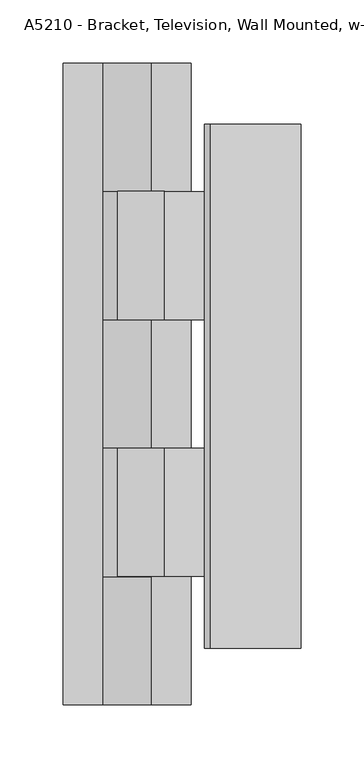
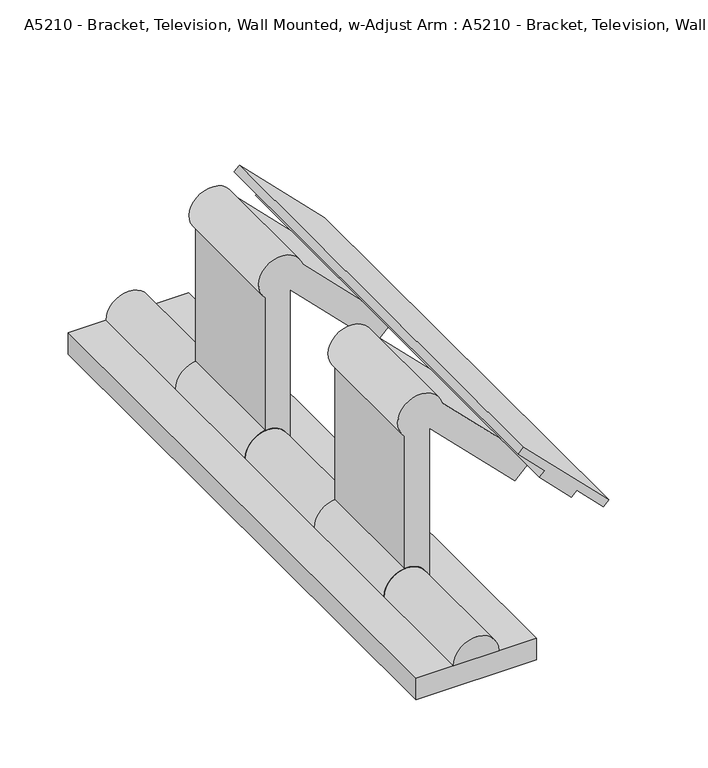
"""IFC4 building model written with IfcOpenShell, lengths in millimetres: proxy geometry, A5210 - Bracket, Television, Wall Mounted, w-Adjust Arm : A5210 - Bracket, Television, Wall Mounted, w-Adjust Arm."""

import ifcopenshell
import ifcopenshell.guid

model = None  # the IFC model being written
_history = None  # IfcOwnerHistory: only IFC2X3 demands one
_inside = {}  # id of a spatial element -> (the spatial element, [elements in it])
_under = {}  # id of a project, library or spatial element -> (it, [spatial elements below it])
_declared = {}  # id of a project -> (the project, [libraries it declares])
_typed = {}  # id of a type object -> (the type object, [elements of that type])
_made_of = {}  # id of a material, layer set ... -> (it, [elements and type objects made of it])


def new_model(schema):
    """Start an empty IFC model of exactly this schema.

    Asked for "IFC4X3", IfcOpenShell would pick the latest addendum, in which some entities
    have other attributes; the version numbers below select the first issue.
    IFC2X3 requires an IfcOwnerHistory on every rooted entity: one is made here for all.
    """
    global model, _history
    if schema == "IFC4X3":
        model = ifcopenshell.file(schema_version=(4, 3, 0, 0))
    else:
        model = ifcopenshell.file(schema=schema)
    _inside.clear()
    _under.clear()
    _declared.clear()
    _typed.clear()
    _made_of.clear()
    _history = None
    if model.schema == "IFC2X3":
        org = make("IfcOrganization", Name="unknown")
        user = make(
            "IfcPersonAndOrganization",
            ThePerson=make("IfcPerson", FamilyName="unknown"),
            TheOrganization=org,
        )
        app = make(
            "IfcApplication",
            ApplicationDeveloper=org,
            Version="unknown",
            ApplicationFullName="unknown",
            ApplicationIdentifier="unknown",
        )
        _history = make(
            "IfcOwnerHistory",
            OwningUser=user,
            OwningApplication=app,
            ChangeAction="ADDED",
            CreationDate=0,
        )
    return model


def make(cls, **values):
    """One entity of the class cls with the attributes given. An attribute that is None is left unset."""
    return model.create_entity(
        cls, **{name: value for name, value in values.items() if value is not None}
    )


def rooted(cls, **values):
    """An entity with a GlobalId (a new one), such as an element, a storey or a relation."""
    return make(cls, GlobalId=ifcopenshell.guid.new(), OwnerHistory=_history, **values)


def si_unit(unit_type, name, prefix=None):
    """IfcSIUnit, for example si_unit("LENGTHUNIT", "METRE", prefix="MILLI")."""
    return make("IfcSIUnit", UnitType=unit_type, Prefix=prefix, Name=name)


def assignment(units):
    """IfcUnitAssignment: the units of a project."""
    return None if units is None else make("IfcUnitAssignment", Units=units)


def point(xyz):
    """IfcCartesianPoint."""
    return None if xyz is None else make("IfcCartesianPoint", Coordinates=xyz)


def direction(xyz):
    """IfcDirection."""
    return None if xyz is None else make("IfcDirection", DirectionRatios=xyz)


def frame(location, z_axis=None, x_axis=None):
    """IfcAxis2Placement3D, a coordinate frame: its origin and axes. An axis left out is left unset."""
    return make(
        "IfcAxis2Placement3D",
        Location=point(location),
        Axis=direction(z_axis),
        RefDirection=direction(x_axis),
    )


def frame_2d(location, x_axis=None):
    """IfcAxis2Placement2D, a coordinate frame in the plane: its origin and x axis."""
    return make(
        "IfcAxis2Placement2D", Location=point(location), RefDirection=direction(x_axis)
    )


def origin():
    """The frame at (0, 0, 0) with its axes left unset."""
    return frame((0.0, 0.0, 0.0))


def origin_with_axes():
    """The frame at (0, 0, 0) with the z axis (0, 0, 1) and the x axis (1, 0, 0) written out."""
    return frame((0.0, 0.0, 0.0), z_axis=(0.0, 0.0, 1.0), x_axis=(1.0, 0.0, 0.0))


def place(relative_to, where):
    """IfcLocalPlacement: puts the frame where relative to a parent placement (None: the world)."""
    return make(
        "IfcLocalPlacement", PlacementRelTo=relative_to, RelativePlacement=where
    )


def context(
    kind, dimensions, precision=None, world=None, true_north=None, identifier=None
):
    """IfcGeometricRepresentationContext, for example the 3D "Model" context."""
    return make(
        "IfcGeometricRepresentationContext",
        ContextIdentifier=identifier,
        ContextType=kind,
        CoordinateSpaceDimension=dimensions,
        Precision=precision,
        WorldCoordinateSystem=world,
        TrueNorth=true_north,
    )


def project(units=None, contexts=None):
    """IfcProject with its units and contexts."""
    return rooted(
        "IfcProject",
        Name="project",
        RepresentationContexts=contexts,
        UnitsInContext=assignment(units),
    )


def spatial(cls, under=None, at=None, **own):
    """A site, building, storey or space (cls), placed at a placement, below another one or the project."""
    s = rooted(cls, ObjectPlacement=at, **own)
    if under is not None:
        _under.setdefault(under.id(), (under, []))[1].append(s)
    return s


def polyline(points):
    """IfcPolyline through the points."""
    return make("IfcPolyline", Points=[point(p) for p in points])


def circle_curve(where, radius):
    """IfcCircle in the frame where."""
    return make("IfcCircle", Position=where, Radius=radius)


def trimmed(basis, trim1, trim2, sense, master):
    """IfcTrimmedCurve: the piece of a basis curve between two trims."""
    return make(
        "IfcTrimmedCurve",
        BasisCurve=basis,
        Trim1=trim1,
        Trim2=trim2,
        SenseAgreement=sense,
        MasterRepresentation=master,
    )


def segment(curve, same_sense, transition):
    """IfcCompositeCurveSegment."""
    return make(
        "IfcCompositeCurveSegment",
        Transition=transition,
        SameSense=same_sense,
        ParentCurve=curve,
    )


def composite_curve(segments, self_intersect=None):
    """IfcCompositeCurve: segments joined end to end."""
    return make("IfcCompositeCurve", Segments=segments, SelfIntersect=self_intersect)


def outline(outer, holes=None, kind="AREA"):
    """IfcArbitraryClosedProfileDef: a profile drawn as a closed curve; with holes, ...WithVoids."""
    if holes is None:
        return make("IfcArbitraryClosedProfileDef", ProfileType=kind, OuterCurve=outer)
    return make(
        "IfcArbitraryProfileDefWithVoids",
        ProfileType=kind,
        OuterCurve=outer,
        InnerCurves=holes,
    )


def extrude(swept, where, along, depth):
    """IfcExtrudedAreaSolid: the profile swept, set in the frame where, extruded along a direction by depth."""
    return make(
        "IfcExtrudedAreaSolid",
        SweptArea=swept,
        Position=where,
        ExtrudedDirection=direction(along),
        Depth=depth,
    )


def shape(context_of_items, identifier, shape_type, items):
    """IfcShapeRepresentation: the items that make up one representation, for example the "Body"."""
    return make(
        "IfcShapeRepresentation",
        ContextOfItems=context_of_items,
        RepresentationIdentifier=identifier,
        RepresentationType=shape_type,
        Items=items,
    )


def source(mapping_origin, context_of_items, identifier, shape_type, items):
    """IfcRepresentationMap: a shape defined once, which mapped items show again and again."""
    return make(
        "IfcRepresentationMap",
        MappingOrigin=mapping_origin,
        MappedRepresentation=shape(context_of_items, identifier, shape_type, items),
    )


def transform(
    local_origin,
    x_axis=None,
    y_axis=None,
    z_axis=None,
    scale=None,
    scale2=None,
    scale3=None,
    uniform=True,
):
    """IfcCartesianTransformationOperator3D, or its non-uniform kind. x_axis, y_axis, z_axis: its Axis1, 2, 3."""
    if uniform:
        return make(
            "IfcCartesianTransformationOperator3D",
            Axis1=direction(x_axis),
            Axis2=direction(y_axis),
            LocalOrigin=point(local_origin),
            Scale=scale,
            Axis3=direction(z_axis),
        )
    return make(
        "IfcCartesianTransformationOperator3DnonUniform",
        Axis1=direction(x_axis),
        Axis2=direction(y_axis),
        LocalOrigin=point(local_origin),
        Scale=scale,
        Axis3=direction(z_axis),
        Scale2=scale2,
        Scale3=scale3,
    )


def mapped(mapping_source, mapping_target):
    """IfcMappedItem: shows the shape of a source again, moved by a transform."""
    return make(
        "IfcMappedItem", MappingSource=mapping_source, MappingTarget=mapping_target
    )


def made_of(thing, what):
    """Note that an element or type object is made of a material, layer set ...; save() writes the relation."""
    if what is not None:
        _made_of.setdefault(what.id(), (what, []))[1].append(thing)
    return thing


def element(
    cls,
    number,
    at=None,
    inside=None,
    cuts=None,
    type_object=None,
    material=None,
    context=None,
    identifier="Body",
    shape_type=None,
    held_by="IfcProductDefinitionShape",
    body=None,
    shapes=None,
    **own,
):
    """One element of the class cls, such as IfcWall. Its Tag is "e" and its number.

    at: its placement. inside: the storey or other place that contains it. cuts: it is an
    opening in that element (IfcRelVoidsElement). A single representation is given by context,
    identifier, shape_type and body (its items); several are given by shapes. held_by: the class
    of the entity that holds the representations. save() writes the other relations.
    """
    e = rooted(cls, Tag="e%d" % number, ObjectPlacement=at, **own)
    if body is not None:
        shapes = [shape(context, identifier, shape_type, body)]
    if shapes is not None:
        e.Representation = make(held_by, Representations=shapes)
    if inside is not None:
        _inside.setdefault(inside.id(), (inside, []))[1].append(e)
    if cuts is not None:
        rooted(
            "IfcRelVoidsElement", RelatingBuildingElement=cuts, RelatedOpeningElement=e
        )
    if type_object is not None:
        _typed.setdefault(type_object.id(), (type_object, []))[1].append(e)
    return made_of(e, material)


def aggregate(whole, parts):
    """IfcRelAggregates: a whole, such as a stair, and the parts it consists of."""
    return rooted("IfcRelAggregates", RelatingObject=whole, RelatedObjects=parts)


def save(model, path):
    """Write the relations noted so far, then the file.

    IfcRelAggregates (storeys below a building ...), IfcRelContainedInSpatialStructure (elements
    in a storey), IfcRelDefinesByType, IfcRelAssociatesMaterial and IfcRelDeclares: one each for
    every whole, place, type object, material and project.
    """
    for whole, parts in _under.values():
        aggregate(whole, parts)
    for where, things in _inside.values():
        rooted(
            "IfcRelContainedInSpatialStructure",
            RelatedElements=things,
            RelatingStructure=where,
        )
    for kind, things in _typed.values():
        rooted("IfcRelDefinesByType", RelatedObjects=things, RelatingType=kind)
    for what, things in _made_of.values():
        rooted("IfcRelAssociatesMaterial", RelatedObjects=things, RelatingMaterial=what)
    for by, libraries in _declared.values():
        rooted("IfcRelDeclares", RelatingContext=by, RelatedDefinitions=libraries)
    model.write(path)


def a5210_bracket_television_wall_mounted_w_adjust_arm_a5210_bc629ad1(model_context):
    return source(origin(), model_context, "Body", "SweptSolid", [
        extrude(outline(polyline([(156.8608033, 65.7508765), (152.3706752, 61.2607484), (129.9200349, 83.7113887), (125.4299069, 79.2212606), (98.4891385, 106.162029), (102.9792666, 110.6521571), (80.5286263, 133.1027974), (85.0187543, 137.5929254), (156.8608033, 65.7508765)])), frame((0.0, 44.6660281, 0.0), z_axis=(0.0, 1.0, 0.0), x_axis=(0.0, 0.0, 1.0)), (0.0, 0.0, 1.0), 415.0622238),
        extrude(outline(composite_curve([segment(polyline([(155.914578, 19.05), (83.6458437, 91.3187342), (98.4891385, 106.162029), (174.8504925, 29.800675)]), True, "CONTINUOUS"), segment(trimmed(circle_curve(frame_2d((169.6547742, 11.4729089)), 19.05), [point((174.8504925, 29.800675))], [point((156.1287345, -1.9415888))], False, "CARTESIAN"), True, "CONTINUOUS"), segment(polyline([(156.1287345, -1.9415888), (38.3178779, -1.9415888)]), True, "CONTINUOUS"), segment(trimmed(circle_curve(frame_2d((19.3787695, 0.1108917)), 19.05), [point((38.3178779, -1.9415888))], [point((21.43125, 19.05))], True, "CARTESIAN"), True, "CONTINUOUS"), segment(polyline([(21.43125, 19.05), (155.914578, 19.05)]), True, "CONTINUOUS")], self_intersect=False)), frame((0.0, 101.6, 0.0), z_axis=(0.0, 1.0, 0.0), x_axis=(0.0, 0.0, 1.0)), (0.0, 0.0, 1.0), 101.6),
        extrude(outline(composite_curve([segment(polyline([(155.914578, 19.05), (83.6458437, 91.3187342), (98.4891385, 106.162029), (174.8504925, 29.800675)]), True, "CONTINUOUS"), segment(trimmed(circle_curve(frame_2d((169.6547742, 11.4729089)), 19.05), [point((174.8504925, 29.800675))], [point((156.1287345, -1.9415888))], False, "CARTESIAN"), True, "CONTINUOUS"), segment(polyline([(156.1287345, -1.9415888), (38.3178779, -1.9415888)]), True, "CONTINUOUS"), segment(trimmed(circle_curve(frame_2d((19.3787695, 0.1108917)), 19.05), [point((38.3178779, -1.9415888))], [point((21.43125, 19.05))], True, "CARTESIAN"), True, "CONTINUOUS"), segment(polyline([(21.43125, 19.05), (155.914578, 19.05)]), True, "CONTINUOUS")], self_intersect=False)), frame((0.0, 304.8, 0.0), z_axis=(0.0, 1.0, 0.0), x_axis=(0.0, 0.0, 1.0)), (0.0, 0.0, 1.0), 101.6),
        extrude(outline(composite_curve([segment(trimmed(circle_curve(frame_2d((19.05, 0.0)), 19.05), [point((19.05, 19.05))], [point((19.05, -19.05))], False, "CARTESIAN"), True, "CONTINUOUS"), segment(polyline([(19.05, -19.05), (19.05, 19.05)]), True, "CONTINUOUS")], self_intersect=False)), frame((0.0, 101.6, 0.0), z_axis=(0.0, 1.0, 0.0), x_axis=(0.0, 0.0, 1.0)), (0.0, 0.0, 1.0), 101.6),
        extrude(outline(composite_curve([segment(trimmed(circle_curve(frame_2d((19.05, 0.0)), 19.05), [point((19.05, 19.05))], [point((19.05, -19.05))], False, "CARTESIAN"), True, "CONTINUOUS"), segment(polyline([(19.05, -19.05), (19.05, 19.05)]), True, "CONTINUOUS")], self_intersect=False)), frame((0.0, 304.8, 0.0), z_axis=(0.0, 1.0, 0.0), x_axis=(0.0, 0.0, 1.0)), (0.0, 0.0, 1.0), 101.6),
        extrude(outline(composite_curve([segment(polyline([(19.05, -19.05), (19.05, 19.05)]), True, "CONTINUOUS"), segment(trimmed(circle_curve(frame_2d((19.05, 0.0)), 19.05), [point((19.05, 19.05))], [point((19.05, -19.05))], False, "CARTESIAN"), True, "CONTINUOUS")], self_intersect=False)), frame((0.0, 0.0, 0.0), z_axis=(0.0, 1.0, 0.0), x_axis=(0.0, 0.0, 1.0)), (0.0, 0.0, 1.0), 101.6),
        extrude(outline(composite_curve([segment(polyline([(19.05, -19.05), (19.05, 19.05)]), True, "CONTINUOUS"), segment(trimmed(circle_curve(frame_2d((19.05, 0.0)), 19.05), [point((19.05, 19.05))], [point((19.05, -19.05))], False, "CARTESIAN"), True, "CONTINUOUS")], self_intersect=False)), frame((0.0, 203.2, 0.0), z_axis=(0.0, 1.0, 0.0), x_axis=(0.0, 0.0, 1.0)), (0.0, 0.0, 1.0), 101.6),
        extrude(outline(composite_curve([segment(polyline([(19.05, -19.05), (19.05, 19.05)]), True, "CONTINUOUS"), segment(trimmed(circle_curve(frame_2d((19.05, 0.0)), 19.05), [point((19.05, 19.05))], [point((19.05, -19.05))], False, "CARTESIAN"), True, "CONTINUOUS")], self_intersect=False)), frame((0.0, 406.4, 0.0), z_axis=(0.0, 1.0, 0.0), x_axis=(0.0, 0.0, 1.0)), (0.0, 0.0, 1.0), 101.6),
        extrude(outline(polyline([(50.8, 0.0), (-50.8, 0.0), (-50.8, 508.0), (50.8, 508.0), (50.8, 0.0)])), origin_with_axes(), (0.0, 0.0, 1.0), 19.05),
    ])


if __name__ == "__main__":
    model = new_model("IFC4")
    model_context = context("Model", 3, world=origin())
    ifc_project = project(units=[si_unit("LENGTHUNIT", "METRE", prefix="MILLI")], contexts=[model_context])
    site = spatial("IfcSite", under=ifc_project)
    building = spatial("IfcBuilding", under=site)
    placement = place(None, origin())
    a5210_bracket_television_wall_mounted_w_adjust_arm_a5210_shape = a5210_bracket_television_wall_mounted_w_adjust_arm_a5210_bc629ad1(model_context)
    element("IfcBuildingElementProxy", 1, Name="A5210 - Bracket, Television, Wall Mounted, w-Adjust Arm : A5210 - Bracket, Television, Wall Mounted, w-Adjust Arm", ObjectType="A5210 - Bracket, Television, Wall Mounted, w-Adjust Arm : A5210 - Bracket, Television, Wall Mounted, w-Adjust Arm", at=placement, inside=building, context=model_context, shape_type="MappedRepresentation", body=[
        mapped(a5210_bracket_television_wall_mounted_w_adjust_arm_a5210_shape, transform((0.0, 0.0, 0.0), x_axis=(1.0, 0.0, 0.0), y_axis=(0.0, 1.0, 0.0), z_axis=(0.0, 0.0, 1.0))),
    ])
    save(model, "model.ifc")
